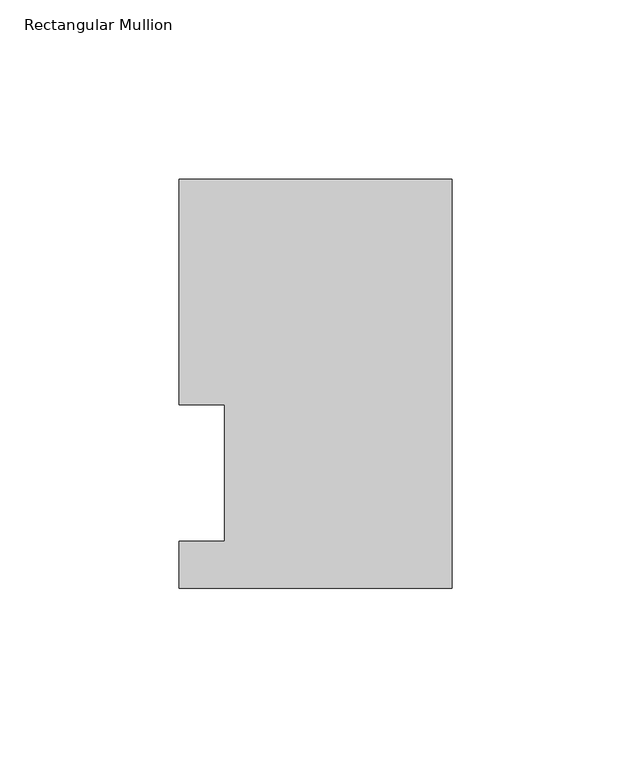
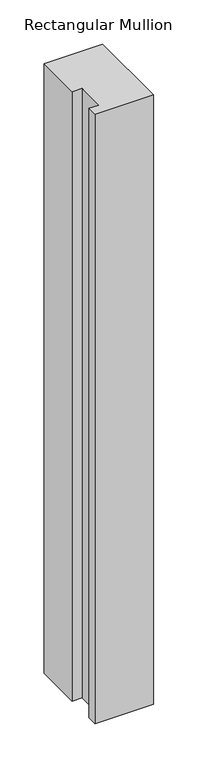
"""IFC4 building model written with IfcOpenShell, lengths in millimetres: member geometry, Rectangular Mullion."""

import ifcopenshell
import ifcopenshell.guid

model = None  # the IFC model being written
_history = None  # IfcOwnerHistory: only IFC2X3 demands one
_inside = {}  # id of a spatial element -> (the spatial element, [elements in it])
_under = {}  # id of a project, library or spatial element -> (it, [spatial elements below it])
_declared = {}  # id of a project -> (the project, [libraries it declares])
_typed = {}  # id of a type object -> (the type object, [elements of that type])
_made_of = {}  # id of a material, layer set ... -> (it, [elements and type objects made of it])


def new_model(schema):
    """Start an empty IFC model of exactly this schema.

    Asked for "IFC4X3", IfcOpenShell would pick the latest addendum, in which some entities
    have other attributes; the version numbers below select the first issue.
    IFC2X3 requires an IfcOwnerHistory on every rooted entity: one is made here for all.
    """
    global model, _history
    if schema == "IFC4X3":
        model = ifcopenshell.file(schema_version=(4, 3, 0, 0))
    else:
        model = ifcopenshell.file(schema=schema)
    _inside.clear()
    _under.clear()
    _declared.clear()
    _typed.clear()
    _made_of.clear()
    _history = None
    if model.schema == "IFC2X3":
        org = make("IfcOrganization", Name="unknown")
        user = make(
            "IfcPersonAndOrganization",
            ThePerson=make("IfcPerson", FamilyName="unknown"),
            TheOrganization=org,
        )
        app = make(
            "IfcApplication",
            ApplicationDeveloper=org,
            Version="unknown",
            ApplicationFullName="unknown",
            ApplicationIdentifier="unknown",
        )
        _history = make(
            "IfcOwnerHistory",
            OwningUser=user,
            OwningApplication=app,
            ChangeAction="ADDED",
            CreationDate=0,
        )
    return model


def make(cls, **values):
    """One entity of the class cls with the attributes given. An attribute that is None is left unset."""
    return model.create_entity(
        cls, **{name: value for name, value in values.items() if value is not None}
    )


def rooted(cls, **values):
    """An entity with a GlobalId (a new one), such as an element, a storey or a relation."""
    return make(cls, GlobalId=ifcopenshell.guid.new(), OwnerHistory=_history, **values)


def si_unit(unit_type, name, prefix=None):
    """IfcSIUnit, for example si_unit("LENGTHUNIT", "METRE", prefix="MILLI")."""
    return make("IfcSIUnit", UnitType=unit_type, Prefix=prefix, Name=name)


def assignment(units):
    """IfcUnitAssignment: the units of a project."""
    return None if units is None else make("IfcUnitAssignment", Units=units)


def point(xyz):
    """IfcCartesianPoint."""
    return None if xyz is None else make("IfcCartesianPoint", Coordinates=xyz)


def direction(xyz):
    """IfcDirection."""
    return None if xyz is None else make("IfcDirection", DirectionRatios=xyz)


def frame(location, z_axis=None, x_axis=None):
    """IfcAxis2Placement3D, a coordinate frame: its origin and axes. An axis left out is left unset."""
    return make(
        "IfcAxis2Placement3D",
        Location=point(location),
        Axis=direction(z_axis),
        RefDirection=direction(x_axis),
    )


def origin():
    """The frame at (0, 0, 0) with its axes left unset."""
    return frame((0.0, 0.0, 0.0))


def place(relative_to, where):
    """IfcLocalPlacement: puts the frame where relative to a parent placement (None: the world)."""
    return make(
        "IfcLocalPlacement", PlacementRelTo=relative_to, RelativePlacement=where
    )


def context(
    kind, dimensions, precision=None, world=None, true_north=None, identifier=None
):
    """IfcGeometricRepresentationContext, for example the 3D "Model" context."""
    return make(
        "IfcGeometricRepresentationContext",
        ContextIdentifier=identifier,
        ContextType=kind,
        CoordinateSpaceDimension=dimensions,
        Precision=precision,
        WorldCoordinateSystem=world,
        TrueNorth=true_north,
    )


def project(units=None, contexts=None):
    """IfcProject with its units and contexts."""
    return rooted(
        "IfcProject",
        Name="project",
        RepresentationContexts=contexts,
        UnitsInContext=assignment(units),
    )


def spatial(cls, under=None, at=None, **own):
    """A site, building, storey or space (cls), placed at a placement, below another one or the project."""
    s = rooted(cls, ObjectPlacement=at, **own)
    if under is not None:
        _under.setdefault(under.id(), (under, []))[1].append(s)
    return s


def polyline(points):
    """IfcPolyline through the points."""
    return make("IfcPolyline", Points=[point(p) for p in points])


def outline(outer, holes=None, kind="AREA"):
    """IfcArbitraryClosedProfileDef: a profile drawn as a closed curve; with holes, ...WithVoids."""
    if holes is None:
        return make("IfcArbitraryClosedProfileDef", ProfileType=kind, OuterCurve=outer)
    return make(
        "IfcArbitraryProfileDefWithVoids",
        ProfileType=kind,
        OuterCurve=outer,
        InnerCurves=holes,
    )


def extrude(swept, where, along, depth):
    """IfcExtrudedAreaSolid: the profile swept, set in the frame where, extruded along a direction by depth."""
    return make(
        "IfcExtrudedAreaSolid",
        SweptArea=swept,
        Position=where,
        ExtrudedDirection=direction(along),
        Depth=depth,
    )


def shape(context_of_items, identifier, shape_type, items):
    """IfcShapeRepresentation: the items that make up one representation, for example the "Body"."""
    return make(
        "IfcShapeRepresentation",
        ContextOfItems=context_of_items,
        RepresentationIdentifier=identifier,
        RepresentationType=shape_type,
        Items=items,
    )


def source(mapping_origin, context_of_items, identifier, shape_type, items):
    """IfcRepresentationMap: a shape defined once, which mapped items show again and again."""
    return make(
        "IfcRepresentationMap",
        MappingOrigin=mapping_origin,
        MappedRepresentation=shape(context_of_items, identifier, shape_type, items),
    )


def transform(
    local_origin,
    x_axis=None,
    y_axis=None,
    z_axis=None,
    scale=None,
    scale2=None,
    scale3=None,
    uniform=True,
):
    """IfcCartesianTransformationOperator3D, or its non-uniform kind. x_axis, y_axis, z_axis: its Axis1, 2, 3."""
    if uniform:
        return make(
            "IfcCartesianTransformationOperator3D",
            Axis1=direction(x_axis),
            Axis2=direction(y_axis),
            LocalOrigin=point(local_origin),
            Scale=scale,
            Axis3=direction(z_axis),
        )
    return make(
        "IfcCartesianTransformationOperator3DnonUniform",
        Axis1=direction(x_axis),
        Axis2=direction(y_axis),
        LocalOrigin=point(local_origin),
        Scale=scale,
        Axis3=direction(z_axis),
        Scale2=scale2,
        Scale3=scale3,
    )


def mapped(mapping_source, mapping_target):
    """IfcMappedItem: shows the shape of a source again, moved by a transform."""
    return make(
        "IfcMappedItem", MappingSource=mapping_source, MappingTarget=mapping_target
    )


def made_of(thing, what):
    """Note that an element or type object is made of a material, layer set ...; save() writes the relation."""
    if what is not None:
        _made_of.setdefault(what.id(), (what, []))[1].append(thing)
    return thing


def element(
    cls,
    number,
    at=None,
    inside=None,
    cuts=None,
    type_object=None,
    material=None,
    context=None,
    identifier="Body",
    shape_type=None,
    held_by="IfcProductDefinitionShape",
    body=None,
    shapes=None,
    **own,
):
    """One element of the class cls, such as IfcWall. Its Tag is "e" and its number.

    at: its placement. inside: the storey or other place that contains it. cuts: it is an
    opening in that element (IfcRelVoidsElement). A single representation is given by context,
    identifier, shape_type and body (its items); several are given by shapes. held_by: the class
    of the entity that holds the representations. save() writes the other relations.
    """
    e = rooted(cls, Tag="e%d" % number, ObjectPlacement=at, **own)
    if body is not None:
        shapes = [shape(context, identifier, shape_type, body)]
    if shapes is not None:
        e.Representation = make(held_by, Representations=shapes)
    if inside is not None:
        _inside.setdefault(inside.id(), (inside, []))[1].append(e)
    if cuts is not None:
        rooted(
            "IfcRelVoidsElement", RelatingBuildingElement=cuts, RelatedOpeningElement=e
        )
    if type_object is not None:
        _typed.setdefault(type_object.id(), (type_object, []))[1].append(e)
    return made_of(e, material)


def aggregate(whole, parts):
    """IfcRelAggregates: a whole, such as a stair, and the parts it consists of."""
    return rooted("IfcRelAggregates", RelatingObject=whole, RelatedObjects=parts)


def save(model, path):
    """Write the relations noted so far, then the file.

    IfcRelAggregates (storeys below a building ...), IfcRelContainedInSpatialStructure (elements
    in a storey), IfcRelDefinesByType, IfcRelAssociatesMaterial and IfcRelDeclares: one each for
    every whole, place, type object, material and project.
    """
    for whole, parts in _under.values():
        aggregate(whole, parts)
    for where, things in _inside.values():
        rooted(
            "IfcRelContainedInSpatialStructure",
            RelatedElements=things,
            RelatingStructure=where,
        )
    for kind, things in _typed.values():
        rooted("IfcRelDefinesByType", RelatedObjects=things, RelatingType=kind)
    for what, things in _made_of.values():
        rooted("IfcRelAssociatesMaterial", RelatedObjects=things, RelatingMaterial=what)
    for by, libraries in _declared.values():
        rooted("IfcRelDeclares", RelatingContext=by, RelatedDefinitions=libraries)
    model.write(path)


def rectangular_mullion_2d7bbc3f(model_context):
    return source(origin(), model_context, "Body", "SweptSolid", [
        extrude(outline(polyline([(0.0, 115.5779375), (0.0, 1.2982575), (-76.1999994, 1.2982575), (-76.1999994, 14.4859375), (-63.5, 14.4859375), (-63.5, 52.5859375), (-76.1991956, 52.5859375), (-76.1991956, 115.5779375), (0.0, 115.5779375)])), frame((0.0, 0.0, -838.2), z_axis=(0.0, 0.0, 1.0), x_axis=(1.0, 0.0, 0.0)), (0.0, 0.0, 1.0), 838.2),
    ])


if __name__ == "__main__":
    model = new_model("IFC4")
    model_context = context("Model", 3, world=origin())
    ifc_project = project(units=[si_unit("LENGTHUNIT", "METRE", prefix="MILLI")], contexts=[model_context])
    site = spatial("IfcSite", under=ifc_project)
    building = spatial("IfcBuilding", under=site)
    placement = place(None, origin())
    rectangular_mullion_shape = rectangular_mullion_2d7bbc3f(model_context)
    element("IfcMember", 1, ObjectType="Rectangular Mullion", at=placement, inside=building, context=model_context, shape_type="MappedRepresentation", body=[
        mapped(rectangular_mullion_shape, transform((0.0, 0.0, 0.0), x_axis=(1.0, 0.0, 0.0), y_axis=(0.0, 1.0, 0.0), z_axis=(0.0, 0.0, 1.0))),
    ])
    save(model, "model.ifc")
